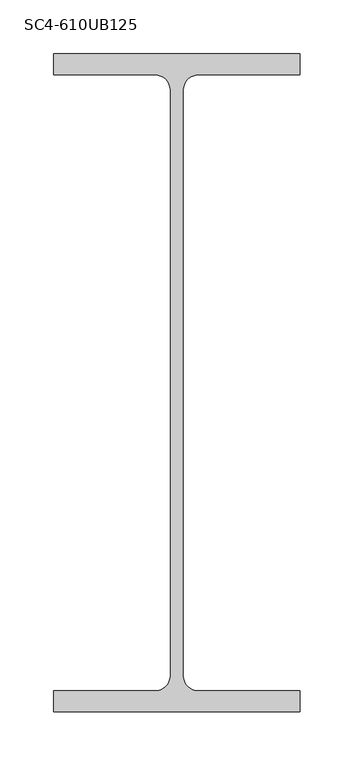
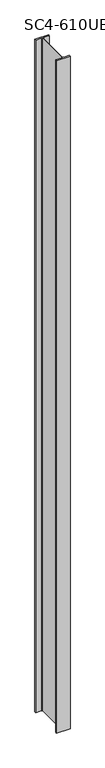
"""IFC4 building model written with IfcOpenShell, lengths in millimetres: column geometry, SC4-610UB125."""

from ifc_helpers import new_model, si_unit, point, frame, frame_2d, origin, place, context, project, spatial, polyline, circle_curve, trimmed, segment, composite_curve, outline, extrude, source, transform, mapped, element, save


def sc4_610ub125_e6973aff(model_context):
    return source(origin(), model_context, "Body", "SweptSolid", [
        extrude(outline(composite_curve([segment(polyline([(114.5, -305.8), (-114.5, -305.8), (-114.5, -286.2), (-19.95, -286.2)]), True, "CONTINUOUS"), segment(trimmed(circle_curve(frame_2d((-19.95, -272.2)), 14.0), [point((-19.95, -286.2))], [point((-5.95, -272.2))], True, "CARTESIAN"), True, "CONTINUOUS"), segment(polyline([(-5.95, -272.2), (-5.95, 272.2)]), True, "CONTINUOUS"), segment(trimmed(circle_curve(frame_2d((-19.95, 272.2)), 14.0), [point((-5.95, 272.2))], [point((-19.95, 286.2))], True, "CARTESIAN"), True, "CONTINUOUS"), segment(polyline([(-19.95, 286.2), (-114.5, 286.2), (-114.5, 305.8), (114.5, 305.8), (114.5, 286.2), (19.95, 286.2)]), True, "CONTINUOUS"), segment(trimmed(circle_curve(frame_2d((19.95, 272.2)), 14.0), [point((19.95, 286.2))], [point((5.95, 272.2))], True, "CARTESIAN"), True, "CONTINUOUS"), segment(polyline([(5.95, 272.2), (5.95, -272.2)]), True, "CONTINUOUS"), segment(trimmed(circle_curve(frame_2d((19.95, -272.2)), 14.0), [point((5.95, -272.2))], [point((19.95, -286.2))], True, "CARTESIAN"), True, "CONTINUOUS"), segment(polyline([(19.95, -286.2), (114.5, -286.2), (114.5, -305.8)]), True, "CONTINUOUS")], self_intersect=False)), frame((0.0, 0.0, 46800.0), z_axis=(0.0, 0.0, 1.0), x_axis=(1.0, 0.0, 0.0)), (0.0, 0.0, 1.0), 11787.494903),
    ])


if __name__ == "__main__":
    model = new_model("IFC4")
    model_context = context("Model", 3, world=origin())
    ifc_project = project(units=[si_unit("LENGTHUNIT", "METRE", prefix="MILLI")], contexts=[model_context])
    site = spatial("IfcSite", under=ifc_project)
    building = spatial("IfcBuilding", under=site)
    placement = place(None, origin())
    sc4_610ub125_shape = sc4_610ub125_e6973aff(model_context)
    element("IfcColumn", 1, ObjectType="SC4-610UB125", at=placement, inside=building, context=model_context, shape_type="MappedRepresentation", body=[
        mapped(sc4_610ub125_shape, transform((0.0, 0.0, 0.0), x_axis=(1.0, 0.0, 0.0), y_axis=(0.0, 1.0, 0.0), z_axis=(0.0, 0.0, 1.0))),
    ])
    save(model, "model.ifc")
